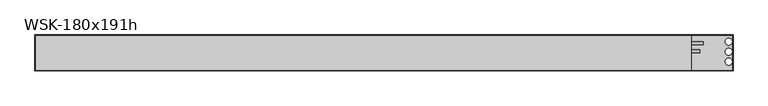
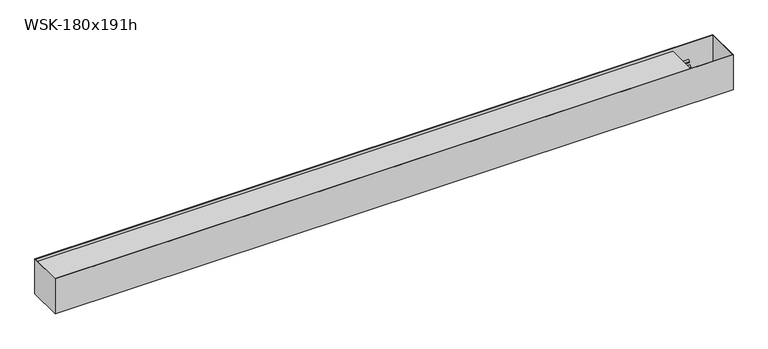
"""IFC4 building model written with IfcOpenShell, lengths in millimetres: proxy geometry, WSK-180x191h."""

import ifcopenshell
import ifcopenshell.guid

model = None  # the IFC model being written
_history = None  # IfcOwnerHistory: only IFC2X3 demands one
_inside = {}  # id of a spatial element -> (the spatial element, [elements in it])
_under = {}  # id of a project, library or spatial element -> (it, [spatial elements below it])
_declared = {}  # id of a project -> (the project, [libraries it declares])
_typed = {}  # id of a type object -> (the type object, [elements of that type])
_made_of = {}  # id of a material, layer set ... -> (it, [elements and type objects made of it])


def new_model(schema):
    """Start an empty IFC model of exactly this schema.

    Asked for "IFC4X3", IfcOpenShell would pick the latest addendum, in which some entities
    have other attributes; the version numbers below select the first issue.
    IFC2X3 requires an IfcOwnerHistory on every rooted entity: one is made here for all.
    """
    global model, _history
    if schema == "IFC4X3":
        model = ifcopenshell.file(schema_version=(4, 3, 0, 0))
    else:
        model = ifcopenshell.file(schema=schema)
    _inside.clear()
    _under.clear()
    _declared.clear()
    _typed.clear()
    _made_of.clear()
    _history = None
    if model.schema == "IFC2X3":
        org = make("IfcOrganization", Name="unknown")
        user = make(
            "IfcPersonAndOrganization",
            ThePerson=make("IfcPerson", FamilyName="unknown"),
            TheOrganization=org,
        )
        app = make(
            "IfcApplication",
            ApplicationDeveloper=org,
            Version="unknown",
            ApplicationFullName="unknown",
            ApplicationIdentifier="unknown",
        )
        _history = make(
            "IfcOwnerHistory",
            OwningUser=user,
            OwningApplication=app,
            ChangeAction="ADDED",
            CreationDate=0,
        )
    return model


def make(cls, **values):
    """One entity of the class cls with the attributes given. An attribute that is None is left unset."""
    return model.create_entity(
        cls, **{name: value for name, value in values.items() if value is not None}
    )


def rooted(cls, **values):
    """An entity with a GlobalId (a new one), such as an element, a storey or a relation."""
    return make(cls, GlobalId=ifcopenshell.guid.new(), OwnerHistory=_history, **values)


def si_unit(unit_type, name, prefix=None):
    """IfcSIUnit, for example si_unit("LENGTHUNIT", "METRE", prefix="MILLI")."""
    return make("IfcSIUnit", UnitType=unit_type, Prefix=prefix, Name=name)


def assignment(units):
    """IfcUnitAssignment: the units of a project."""
    return None if units is None else make("IfcUnitAssignment", Units=units)


def point(xyz):
    """IfcCartesianPoint."""
    return None if xyz is None else make("IfcCartesianPoint", Coordinates=xyz)


def direction(xyz):
    """IfcDirection."""
    return None if xyz is None else make("IfcDirection", DirectionRatios=xyz)


def frame(location, z_axis=None, x_axis=None):
    """IfcAxis2Placement3D, a coordinate frame: its origin and axes. An axis left out is left unset."""
    return make(
        "IfcAxis2Placement3D",
        Location=point(location),
        Axis=direction(z_axis),
        RefDirection=direction(x_axis),
    )


def frame_2d(location, x_axis=None):
    """IfcAxis2Placement2D, a coordinate frame in the plane: its origin and x axis."""
    return make(
        "IfcAxis2Placement2D", Location=point(location), RefDirection=direction(x_axis)
    )


def origin():
    """The frame at (0, 0, 0) with its axes left unset."""
    return frame((0.0, 0.0, 0.0))


def place(relative_to, where):
    """IfcLocalPlacement: puts the frame where relative to a parent placement (None: the world)."""
    return make(
        "IfcLocalPlacement", PlacementRelTo=relative_to, RelativePlacement=where
    )


def context(
    kind, dimensions, precision=None, world=None, true_north=None, identifier=None
):
    """IfcGeometricRepresentationContext, for example the 3D "Model" context."""
    return make(
        "IfcGeometricRepresentationContext",
        ContextIdentifier=identifier,
        ContextType=kind,
        CoordinateSpaceDimension=dimensions,
        Precision=precision,
        WorldCoordinateSystem=world,
        TrueNorth=true_north,
    )


def project(units=None, contexts=None):
    """IfcProject with its units and contexts."""
    return rooted(
        "IfcProject",
        Name="project",
        RepresentationContexts=contexts,
        UnitsInContext=assignment(units),
    )


def spatial(cls, under=None, at=None, **own):
    """A site, building, storey or space (cls), placed at a placement, below another one or the project."""
    s = rooted(cls, ObjectPlacement=at, **own)
    if under is not None:
        _under.setdefault(under.id(), (under, []))[1].append(s)
    return s


def polyline(points):
    """IfcPolyline through the points."""
    return make("IfcPolyline", Points=[point(p) for p in points])


def circle_curve(where, radius):
    """IfcCircle in the frame where."""
    return make("IfcCircle", Position=where, Radius=radius)


def trimmed(basis, trim1, trim2, sense, master):
    """IfcTrimmedCurve: the piece of a basis curve between two trims."""
    return make(
        "IfcTrimmedCurve",
        BasisCurve=basis,
        Trim1=trim1,
        Trim2=trim2,
        SenseAgreement=sense,
        MasterRepresentation=master,
    )


def segment(curve, same_sense, transition):
    """IfcCompositeCurveSegment."""
    return make(
        "IfcCompositeCurveSegment",
        Transition=transition,
        SameSense=same_sense,
        ParentCurve=curve,
    )


def composite_curve(segments, self_intersect=None):
    """IfcCompositeCurve: segments joined end to end."""
    return make("IfcCompositeCurve", Segments=segments, SelfIntersect=self_intersect)


def outline(outer, holes=None, kind="AREA"):
    """IfcArbitraryClosedProfileDef: a profile drawn as a closed curve; with holes, ...WithVoids."""
    if holes is None:
        return make("IfcArbitraryClosedProfileDef", ProfileType=kind, OuterCurve=outer)
    return make(
        "IfcArbitraryProfileDefWithVoids",
        ProfileType=kind,
        OuterCurve=outer,
        InnerCurves=holes,
    )


def extrude(swept, where, along, depth):
    """IfcExtrudedAreaSolid: the profile swept, set in the frame where, extruded along a direction by depth."""
    return make(
        "IfcExtrudedAreaSolid",
        SweptArea=swept,
        Position=where,
        ExtrudedDirection=direction(along),
        Depth=depth,
    )


def shape(context_of_items, identifier, shape_type, items):
    """IfcShapeRepresentation: the items that make up one representation, for example the "Body"."""
    return make(
        "IfcShapeRepresentation",
        ContextOfItems=context_of_items,
        RepresentationIdentifier=identifier,
        RepresentationType=shape_type,
        Items=items,
    )


def source(mapping_origin, context_of_items, identifier, shape_type, items):
    """IfcRepresentationMap: a shape defined once, which mapped items show again and again."""
    return make(
        "IfcRepresentationMap",
        MappingOrigin=mapping_origin,
        MappedRepresentation=shape(context_of_items, identifier, shape_type, items),
    )


def transform(
    local_origin,
    x_axis=None,
    y_axis=None,
    z_axis=None,
    scale=None,
    scale2=None,
    scale3=None,
    uniform=True,
):
    """IfcCartesianTransformationOperator3D, or its non-uniform kind. x_axis, y_axis, z_axis: its Axis1, 2, 3."""
    if uniform:
        return make(
            "IfcCartesianTransformationOperator3D",
            Axis1=direction(x_axis),
            Axis2=direction(y_axis),
            LocalOrigin=point(local_origin),
            Scale=scale,
            Axis3=direction(z_axis),
        )
    return make(
        "IfcCartesianTransformationOperator3DnonUniform",
        Axis1=direction(x_axis),
        Axis2=direction(y_axis),
        LocalOrigin=point(local_origin),
        Scale=scale,
        Axis3=direction(z_axis),
        Scale2=scale2,
        Scale3=scale3,
    )


def mapped(mapping_source, mapping_target):
    """IfcMappedItem: shows the shape of a source again, moved by a transform."""
    return make(
        "IfcMappedItem", MappingSource=mapping_source, MappingTarget=mapping_target
    )


def made_of(thing, what):
    """Note that an element or type object is made of a material, layer set ...; save() writes the relation."""
    if what is not None:
        _made_of.setdefault(what.id(), (what, []))[1].append(thing)
    return thing


def element(
    cls,
    number,
    at=None,
    inside=None,
    cuts=None,
    type_object=None,
    material=None,
    context=None,
    identifier="Body",
    shape_type=None,
    held_by="IfcProductDefinitionShape",
    body=None,
    shapes=None,
    **own,
):
    """One element of the class cls, such as IfcWall. Its Tag is "e" and its number.

    at: its placement. inside: the storey or other place that contains it. cuts: it is an
    opening in that element (IfcRelVoidsElement). A single representation is given by context,
    identifier, shape_type and body (its items); several are given by shapes. held_by: the class
    of the entity that holds the representations. save() writes the other relations.
    """
    e = rooted(cls, Tag="e%d" % number, ObjectPlacement=at, **own)
    if body is not None:
        shapes = [shape(context, identifier, shape_type, body)]
    if shapes is not None:
        e.Representation = make(held_by, Representations=shapes)
    if inside is not None:
        _inside.setdefault(inside.id(), (inside, []))[1].append(e)
    if cuts is not None:
        rooted(
            "IfcRelVoidsElement", RelatingBuildingElement=cuts, RelatedOpeningElement=e
        )
    if type_object is not None:
        _typed.setdefault(type_object.id(), (type_object, []))[1].append(e)
    return made_of(e, material)


def aggregate(whole, parts):
    """IfcRelAggregates: a whole, such as a stair, and the parts it consists of."""
    return rooted("IfcRelAggregates", RelatingObject=whole, RelatedObjects=parts)


def save(model, path):
    """Write the relations noted so far, then the file.

    IfcRelAggregates (storeys below a building ...), IfcRelContainedInSpatialStructure (elements
    in a storey), IfcRelDefinesByType, IfcRelAssociatesMaterial and IfcRelDeclares: one each for
    every whole, place, type object, material and project.
    """
    for whole, parts in _under.values():
        aggregate(whole, parts)
    for where, things in _inside.values():
        rooted(
            "IfcRelContainedInSpatialStructure",
            RelatedElements=things,
            RelatingStructure=where,
        )
    for kind, things in _typed.values():
        rooted("IfcRelDefinesByType", RelatedObjects=things, RelatingType=kind)
    for what, things in _made_of.values():
        rooted("IfcRelAssociatesMaterial", RelatedObjects=things, RelatingMaterial=what)
    for by, libraries in _declared.values():
        rooted("IfcRelDeclares", RelatingContext=by, RelatedDefinitions=libraries)
    model.write(path)


def plane_surface(at):
    """IfcPlane: the flat surface through the origin of the frame at, square to its z axis."""
    return make("IfcPlane", Position=at)


def revolved_surface(curve, axis_point, axis_direction):
    """IfcSurfaceOfRevolution: the curve turned about the line through axis_point along axis_direction."""
    return make(
        "IfcSurfaceOfRevolution",
        SweptCurve=make("IfcArbitraryOpenProfileDef", ProfileType="CURVE", Curve=curve),
        AxisPosition=make("IfcAxis1Placement", Location=point(axis_point), Axis=direction(axis_direction)),
    )


def advanced_brep(points, edges, surfaces, faces):
    """IfcAdvancedBrep: a solid bounded by faces that lie on surfaces and meet in shared edges.

    An edge is (start, end): straight between two places in points (the first is 0);
    or (start, end, curve); or (start, end, curve, False) where it runs against its curve.
    A face is (place in surfaces, loops), or (place, loops, False) where it looks against
    its surface's normal. A loop lists edges by number (the first is 1), with a minus sign
    where the edge is run from its end to its start. The first loop is the outer one.
    """
    corners = [point(p) for p in points]
    vertices = [make("IfcVertexPoint", VertexGeometry=c) for c in corners]
    made = []
    for start, end, *more in edges:
        made.append(
            make(
                "IfcEdgeCurve",
                EdgeStart=vertices[start],
                EdgeEnd=vertices[end],
                EdgeGeometry=more[0] if more else make("IfcPolyline", Points=[corners[start], corners[end]]),
                SameSense=more[1] if len(more) > 1 else True,
            )
        )
    hull = []
    for where, loops, *sense in faces:
        bounds = []
        for j, loop in enumerate(loops):
            ring = [make("IfcOrientedEdge", EdgeElement=made[abs(k) - 1], Orientation=k > 0) for k in loop]
            bounds.append(
                make(
                    "IfcFaceOuterBound" if j == 0 else "IfcFaceBound",
                    Bound=make("IfcEdgeLoop", EdgeList=ring),
                    Orientation=True,
                )
            )
        hull.append(make("IfcAdvancedFace", Bounds=bounds, FaceSurface=surfaces[where], SameSense=sense[0] if sense else True))
    return make("IfcAdvancedBrep", Outer=make("IfcClosedShell", CfsFaces=hull))


def wsk_180x191h_c7476868(model_context):
    return source(origin(), model_context, "Body", "SolidModel", [
        extrude(outline(composite_curve([segment(trimmed(circle_curve(frame_2d((8.75, -65.7)), 7.5), [point((1.25, -65.7))], [point((16.25, -65.7))], False, "CARTESIAN"), True, "CONTINUOUS"), segment(trimmed(circle_curve(frame_2d((8.75, -65.7)), 7.5), [point((16.25, -65.7))], [point((1.25, -65.7))], False, "CARTESIAN"), True, "CONTINUOUS")], self_intersect=False)), frame((-210.0, 0.0, 0.0), z_axis=(1.0, 0.0, 0.0), x_axis=(0.0, 1.0, 0.0)), (0.0, 0.0, 1.0), 44.0),
        extrude(outline(composite_curve([segment(trimmed(circle_curve(frame_2d((48.75, -65.7)), 7.5), [point((41.25, -65.7))], [point((56.25, -65.7))], False, "CARTESIAN"), True, "CONTINUOUS"), segment(trimmed(circle_curve(frame_2d((48.75, -65.7)), 7.5), [point((56.25, -65.7))], [point((41.25, -65.7))], False, "CARTESIAN"), True, "CONTINUOUS")], self_intersect=False)), frame((-210.0, 0.0, 0.0), z_axis=(1.0, 0.0, 0.0), x_axis=(0.0, 1.0, 0.0)), (0.0, 0.0, 1.0), 60.0),
        advanced_brep(
        [(-3500.0, 90.0, 0.0), (-3500.0, -90.0, 0.0), (0.0, -90.0, 0.0), (0.0, 90.0, 0.0), (-3497.0, 87.0, 0.0), (-3.0, 87.0, 0.0), (-3.0, -87.0, 0.0), (-3497.0, -87.0, 0.0), (-3500.0, 90.0, -191.0), (0.0, 90.0, -191.0), (0.0, -90.0, -191.0), (-3500.0, -90.0, -191.0), (-22.5, -61.7, -191.0), (-22.5, -26.7, -191.0), (-22.5, -11.7, -191.0), (-22.5, 23.3, -191.0), (-22.5, 38.3, -191.0), (-22.5, 73.3, -191.0), (-210.0, 87.0, -189.0), (-210.0, -87.0, -189.0), (-3.0, -87.0, -189.0), (-3.0, 87.0, -189.0), (-22.5, -26.7, -189.0), (-22.5, -61.7, -189.0), (-22.5, 23.3, -189.0), (-22.5, -11.7, -189.0), (-22.5, 73.3, -189.0), (-22.5, 38.3, -189.0), (-3497.0, 87.0, -15.0), (-210.0, 87.0, -15.0), (-210.0, -87.0, -15.0), (-3497.0, -87.0, -15.0)],
        [
            (0, 1),
            (1, 2),
            (2, 3),
            (3, 0),
            (4, 5),
            (5, 6),
            (6, 7),
            (7, 4),
            (8, 9),
            (9, 10),
            (10, 11),
            (11, 8),
            (12, 13, circle_curve(frame((-22.5, -44.2, -191.0), z_axis=(0.0, 0.0, 1.0), x_axis=(0.0, 1.0, 0.0)), 17.5)),
            (13, 12, circle_curve(frame((-22.5, -44.2, -191.0), z_axis=(0.0, 0.0, 1.0), x_axis=(0.0, 1.0, 0.0)), 17.5)),
            (14, 15, circle_curve(frame((-22.5, 5.8, -191.0), z_axis=(0.0, 0.0, 1.0), x_axis=(0.0, 1.0, 0.0)), 17.5)),
            (15, 14, circle_curve(frame((-22.5, 5.8, -191.0), z_axis=(0.0, 0.0, 1.0), x_axis=(0.0, 1.0, 0.0)), 17.5)),
            (16, 17, circle_curve(frame((-22.5, 55.8, -191.0), z_axis=(0.0, 0.0, 1.0), x_axis=(0.0, 1.0, 0.0)), 17.5)),
            (17, 16, circle_curve(frame((-22.5, 55.8, -191.0), z_axis=(0.0, 0.0, 1.0), x_axis=(0.0, 1.0, 0.0)), 17.5)),
            (3, 9),
            (8, 0),
            (2, 10),
            (1, 11),
            (18, 19),
            (19, 20),
            (20, 21),
            (21, 18),
            (22, 23, circle_curve(frame((-22.5, -44.2, -189.0), z_axis=(0.0, 0.0, -1.0), x_axis=(0.0, 1.0, 0.0)), 17.5)),
            (23, 22, circle_curve(frame((-22.5, -44.2, -189.0), z_axis=(0.0, 0.0, -1.0), x_axis=(0.0, 1.0, 0.0)), 17.5)),
            (24, 25, circle_curve(frame((-22.5, 5.8, -189.0), z_axis=(0.0, 0.0, -1.0), x_axis=(0.0, 1.0, 0.0)), 17.5)),
            (25, 24, circle_curve(frame((-22.5, 5.8, -189.0), z_axis=(0.0, 0.0, -1.0), x_axis=(0.0, 1.0, 0.0)), 17.5)),
            (26, 27, circle_curve(frame((-22.5, 55.8, -189.0), z_axis=(0.0, 0.0, -1.0), x_axis=(0.0, 1.0, 0.0)), 17.5)),
            (27, 26, circle_curve(frame((-22.5, 55.8, -189.0), z_axis=(0.0, 0.0, -1.0), x_axis=(0.0, 1.0, 0.0)), 17.5)),
            (21, 5),
            (4, 28),
            (28, 29),
            (29, 18),
            (20, 6),
            (19, 30),
            (30, 31),
            (31, 7),
            (29, 30),
            (28, 31),
            (12, 23),
            (22, 13),
            (14, 25),
            (24, 15),
            (16, 27),
            (26, 17),
        ],
        [
            plane_surface(frame((-3500.0, 90.0, 0.0), z_axis=(0.0, 0.0, 1.0), x_axis=(0.0, -1.0, 0.0))),
            plane_surface(frame((-3500.0, 90.0, -191.0), z_axis=(0.0, 0.0, -1.0), x_axis=(0.0, 1.0, 0.0))),
            plane_surface(frame((0.0, 90.0, 0.0), z_axis=(0.0, 1.0, 0.0), x_axis=(0.0, 0.0, -1.0))),
            plane_surface(frame((0.0, -90.0, 0.0), z_axis=(1.0, 0.0, 0.0), x_axis=(0.0, 0.0, -1.0))),
            plane_surface(frame((-3500.0, -90.0, 0.0), z_axis=(0.0, -1.0, 0.0), x_axis=(0.0, 0.0, -1.0))),
            plane_surface(frame((-3500.0, 90.0, 0.0), z_axis=(-1.0, 0.0, 0.0), x_axis=(0.0, 0.0, -1.0))),
            plane_surface(frame((-210.0, 87.0, -189.0), z_axis=(0.0, 0.0, 1.0), x_axis=(0.0, 1.0, 0.0))),
            plane_surface(frame((-3.0, 87.0, -2.0), z_axis=(0.0, -1.0, 0.0), x_axis=(0.0, 0.0, -1.0))),
            plane_surface(frame((-3.0, -87.0, -2.0), z_axis=(-1.0, 0.0, 0.0), x_axis=(0.0, 0.0, -1.0))),
            plane_surface(frame((-210.0, -87.0, -2.0), z_axis=(0.0, 1.0, 0.0), x_axis=(0.0, 0.0, -1.0))),
            plane_surface(frame((-210.0, 87.0, -2.0), z_axis=(1.0, 0.0, 0.0), x_axis=(0.0, 0.0, -1.0))),
            plane_surface(frame((-3497.0, 87.0, -15.0), z_axis=(0.0, 0.0, 1.0), x_axis=(0.0, 1.0, 0.0))),
            plane_surface(frame((-3497.0, 87.0, 0.0), z_axis=(1.0, 0.0, 0.0), x_axis=(0.0, 0.0, -1.0))),
            revolved_surface(polyline([(-22.5, -26.700000000000003, -189.0), (-22.5, -26.700000000000003, -191.0)]), (-22.5, -44.2, -201.0), (0.0, 0.0, 1.0)),
            revolved_surface(polyline([(-22.5, 23.3, -189.0), (-22.5, 23.3, -191.0)]), (-22.5, 5.8, -201.0), (0.0, 0.0, 1.0)),
            revolved_surface(polyline([(-22.5, 73.3, -189.0), (-22.5, 73.3, -191.0)]), (-22.5, 55.8, -201.0), (0.0, 0.0, 1.0)),
        ],
        [
            (0, [[1, 2, 3, 4], [5, 6, 7, 8]]),
            (1, [[9, 10, 11, 12], [13, 14], [15, 16], [17, 18]]),
            (2, [[-4, 19, -9, 20]]),
            (3, [[-3, 21, -10, -19]]),
            (4, [[-2, 22, -11, -21]]),
            (5, [[-1, -20, -12, -22]]),
            (6, [[23, 24, 25, 26], [27, 28], [29, 30], [31, 32]]),
            (7, [[-26, 33, -5, 34, 35, 36]]),
            (8, [[-25, 37, -6, -33]]),
            (9, [[-24, 38, 39, 40, -7, -37]]),
            (10, [[-23, -36, 41, -38]]),
            (11, [[42, -39, -41, -35]]),
            (12, [[-42, -34, -8, -40]]),
            (13, [[43, -27, 44, -13]]),
            (13, [[-43, -14, -44, -28]]),
            (14, [[45, -29, 46, -15]]),
            (14, [[-45, -16, -46, -30]]),
            (15, [[47, -31, 48, -17]]),
            (15, [[-47, -18, -48, -32]]),
        ],
    ),
    ])


if __name__ == "__main__":
    model = new_model("IFC4")
    model_context = context("Model", 3, world=origin())
    ifc_project = project(units=[si_unit("LENGTHUNIT", "METRE", prefix="MILLI")], contexts=[model_context])
    site = spatial("IfcSite", under=ifc_project)
    building = spatial("IfcBuilding", under=site)
    placement = place(None, origin())
    wsk_180x191h_shape = wsk_180x191h_c7476868(model_context)
    element("IfcBuildingElementProxy", 1, Name="WSK-180x191h", ObjectType="WSK-180x191h", at=placement, inside=building, context=model_context, shape_type="MappedRepresentation", body=[
        mapped(wsk_180x191h_shape, transform((0.0, 0.0, 0.0), x_axis=(1.0, 0.0, 0.0), y_axis=(0.0, 1.0, 0.0), z_axis=(0.0, 0.0, 1.0))),
    ])
    save(model, "model.ifc")
